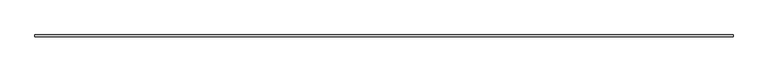
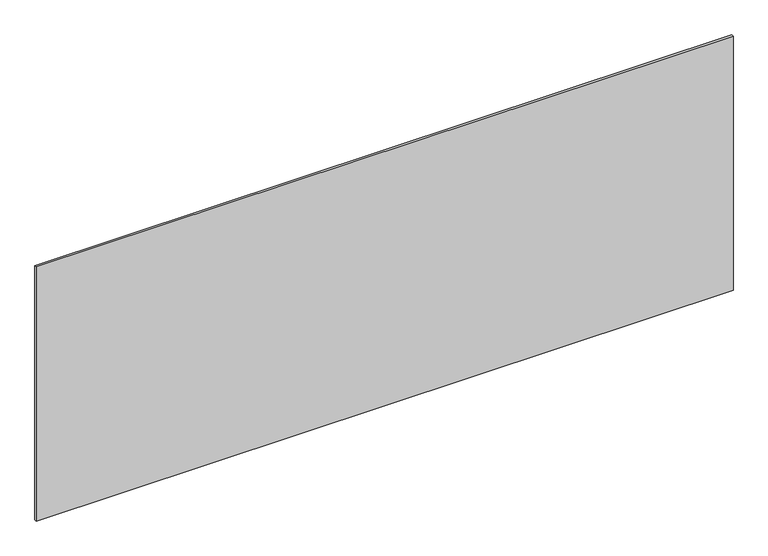
"""IFC4 building model written with IfcOpenShell, lengths in millimetres: plate geometry."""

from ifc_helpers import new_model, si_unit, origin, origin_with_axes, place, context, project, spatial, polyline, outline, extrude, source, transform, mapped, element, save


def plate_95306383(model_context):
    return source(origin(), model_context, "Body", "SweptSolid", [
        extrude(outline(polyline([(1715.0, -5.0), (-1715.0, -5.0), (-1715.0, 5.0), (1715.0, 5.0), (1715.0, -5.0)])), origin_with_axes(), (0.0, 0.0, 1.0), 1322.2777309),
    ])


if __name__ == "__main__":
    model = new_model("IFC4")
    model_context = context("Model", 3, world=origin())
    ifc_project = project(units=[si_unit("LENGTHUNIT", "METRE", prefix="MILLI")], contexts=[model_context])
    site = spatial("IfcSite", under=ifc_project)
    building = spatial("IfcBuilding", under=site)
    placement = place(None, origin())
    plate_shape = plate_95306383(model_context)
    element("IfcPlate", 1, at=placement, inside=building, context=model_context, shape_type="MappedRepresentation", body=[
        mapped(plate_shape, transform((0.0, 0.0, 0.0), x_axis=(1.0, 0.0, 0.0), y_axis=(0.0, 1.0, 0.0), z_axis=(0.0, 0.0, 1.0))),
    ])
    save(model, "model.ifc")
